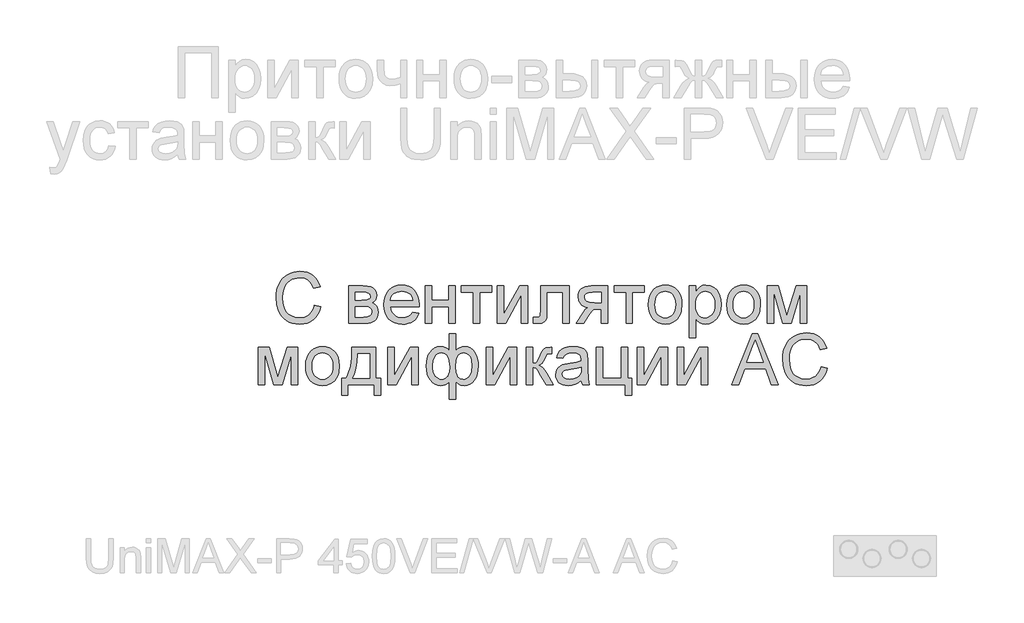
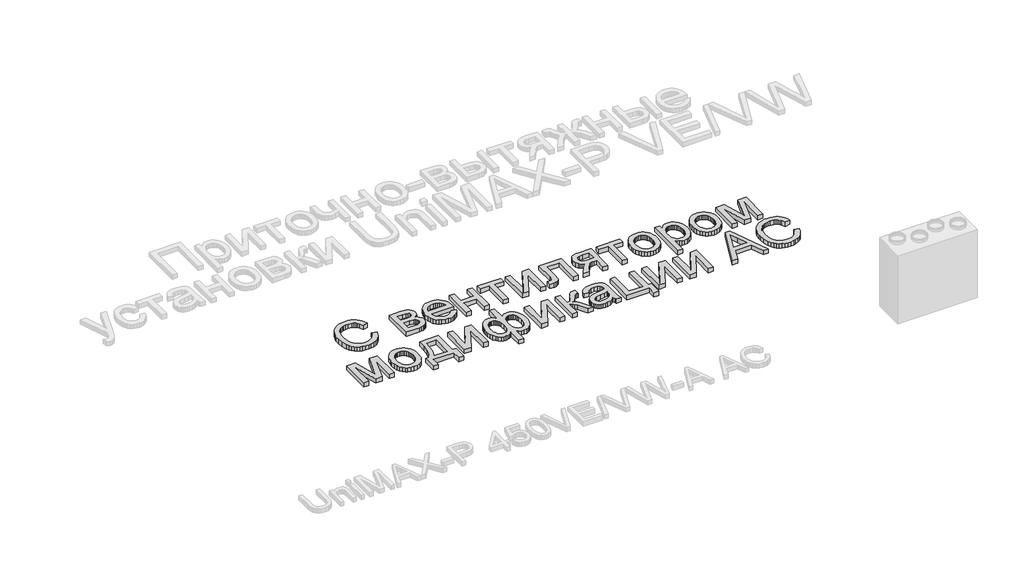
# One storey, part 19 of 74: 1 proxy.
"""IFC4 building model written with IfcOpenShell, lengths in millimetres."""

from ifc_helpers import new_model, si_unit, origin, origin_with_axes, place, context, project, spatial, polyline, outline, extrude, element, save

model = new_model("IFC4")

# Units and contexts
model_context = context("Model", 3, world=origin())
ifc_project = project(units=[si_unit("LENGTHUNIT", "METRE", prefix="MILLI")], contexts=[model_context])

# Site, building, storey
site = spatial("IfcSite", under=ifc_project)
building = spatial("IfcBuilding", under=site)
storey = spatial("IfcBuildingStorey", under=building, Elevation=0.0)

# Proxy
placement = place(None, origin())
element("IfcBuildingElementProxy", 1, Name="Generic Models", at=placement, inside=storey, context=model_context, shape_type="SweptSolid", body=[
    extrude(outline(polyline([(13462.4111042, -25678.9298031), (13518.6181221, -25693.4206749), (13507.4961035, -25728.3751002), (13492.6827549, -25758.9177687), (13474.1780763, -25785.0486803), (13451.9820677, -25806.7678349), (13426.5955972, -25823.8419516), (13398.5195331, -25836.0377492), (13367.7538754, -25843.3552278), (13334.2986241, -25845.7943874), (13300.0234583, -25843.9487223), (13269.1034234, -25838.4117273), (13241.5385193, -25829.1834022), (13217.3287461, -25816.2637471), (13196.1413351, -25799.8448758), (13177.6435177, -25780.1189021), (13161.8352939, -25757.0858261), (13148.7166637, -25730.7456477), (13131.0559138, -25672.699826), (13125.1689971, -25610.5372794), (13126.8328401, -25576.6360495), (13131.8243691, -25544.9715735), (13140.1435841, -25515.5438514), (13151.790485, -25488.3528832), (13166.5043461, -25463.848078), (13184.0244413, -25442.4788449), (13204.3507707, -25424.2451841), (13227.4833343, -25409.1470953), (13252.6365237, -25397.3080805), (13279.0247305, -25388.8516414), (13306.6479549, -25383.7777779), (13335.5061967, -25382.0864901), (13367.6543879, -25384.2752155), (13397.1335691, -25390.8413918), (13423.9437402, -25401.7850189), (13448.0849014, -25417.1060969), (13469.1591025, -25436.3998145), (13486.7683934, -25459.2613603), (13500.9127742, -25485.6907344), (13511.5922448, -25515.6879368), (13455.385227, -25529.0810153), (13435.8993956, -25488.0921573), (13423.4806087, -25472.4245883), (13409.2779076, -25459.9749259), (13393.208958, -25450.4893056), (13375.1914251, -25443.7138624), (13333.3106101, -25438.2935079), (13308.0956698, -25439.7961125), (13285.0351489, -25444.3039263), (13264.1290474, -25451.8169494), (13245.3773653, -25462.3351816), (13229.0168143, -25475.3851996), (13215.284106, -25490.4935802), (13204.1792405, -25507.6603232), (13195.7022177, -25526.8854286), (13184.9575656, -25568.0252332), (13181.3760149, -25610.4275001), (13185.6162416, -25662.353124), (13198.3369217, -25707.2528707), (13207.9975029, -25726.6392146), (13220.0183397, -25743.4114381), (13234.3994322, -25757.5695413), (13251.1407803, -25769.1135241), (13288.4520306, -25784.4689082), (13328.6998781, -25789.5873695), (13353.1360713, -25787.8446226), (13375.61682, -25782.6163819), (13396.1421245, -25773.9026475), (13414.7119846, -25761.7034192), (13430.887283, -25746.0735869), (13444.2289024, -25727.0680401), (13454.7368428, -25704.6867788), (13462.4111042, -25678.9298031)])), origin_with_axes(), (0.0, 0.0, 1.0), 50.0),
    extrude(outline(polyline([(13764.5238252, -25508.5522802), (13888.3549114, -25508.5522802), (13928.1636415, -25510.4322513), (13956.253428, -25516.0721645), (13976.9193872, -25526.7207596), (13994.4566355, -25543.6267767), (14006.4363051, -25565.6512552), (14010.4295283, -25591.6552344), (14008.014383, -25612.6093643), (14000.7689471, -25630.6817868), (13988.6657757, -25645.9548363), (13971.6774242, -25658.5108474), (13992.4806075, -25670.1886238), (14009.4415143, -25688.974612), (14020.7213406, -25713.3867909), (14024.4812827, -25741.9431395), (14021.359433, -25764.9487707), (14014.9579257, -25784.7845237), (14005.2767609, -25801.4503985), (13992.3159385, -25814.9463951), (13976.054875, -25825.3685704), (13956.4729867, -25832.8129814), (13933.5702736, -25837.2796279), (13907.3467358, -25838.7685101), (13764.5238252, -25838.7685101), (13764.5238252, -25508.5522802)]), holes=[polyline([(13820.730843, -25635.0180704), (13876.2791849, -25635.0180704), (13922.1120559, -25632.1638078), (13944.3972602, -25620.7467573), (13951.7661979, -25611.3057348), (13954.2225104, -25600.1082429), (13949.9136716, -25583.33945), (13936.9871553, -25572.5536306), (13913.6316025, -25566.7078812), (13878.0356542, -25564.7592981), (13820.730843, -25564.7592981), (13820.730843, -25635.0180704)]), polyline([(13820.730843, -25782.5614923), (13889.6722633, -25782.5614923), (13927.2442396, -25780.0228452), (13950.8193511, -25772.4069041), (13963.4714191, -25758.5609859), (13968.2742649, -25737.3324076), (13965.872842, -25723.2669307), (13958.6685733, -25710.2718023), (13947.6083057, -25700.1034917), (13933.6388857, -25694.5184682), (13884.1832968, -25691.2250883), (13820.730843, -25691.2250883), (13820.730843, -25782.5614923)])]), origin_with_axes(), (0.0, 0.0, 1.0), 50.0),
    extrude(outline(polyline([(14325.9353277, -25740.4062289), (14381.0445522, -25747.4321061), (14372.5949743, -25769.504613), (14361.1882156, -25788.9561383), (14346.8242762, -25805.7866821), (14329.503156, -25819.9962444), (14309.4032464, -25831.2829319), (14286.702939, -25839.3448516), (14261.4022336, -25844.1820034), (14233.5011304, -25845.7943874), (14198.6256089, -25843.0121674), (14167.5511968, -25834.6655076), (14140.2778941, -25820.7544079), (14116.8057007, -25801.2788683), (14097.9305169, -25776.7809243), (14084.4482427, -25747.8026114), (14076.3588782, -25714.3439294), (14073.6624233, -25676.4048785), (14076.386323, -25637.179351), (14084.558022, -25602.6057227), (14098.1775204, -25572.6839936), (14117.244818, -25547.4141637), (14140.6552605, -25527.3382684), (14167.3041933, -25512.9983432), (14197.1916164, -25504.394388), (14230.3175297, -25501.526403), (14262.3765252, -25504.3875268), (14291.3685606, -25512.9708983), (14317.2936359, -25527.2765175), (14340.1517511, -25547.3043843), (14358.8108069, -25572.5193246), (14372.1387039, -25602.386164), (14380.1354421, -25636.9049027), (14382.8010215, -25676.0755405), (14382.4716835, -25691.2250883), (14129.8694412, -25691.2250883), (14133.1250845, -25713.654378), (14139.5986345, -25733.2980171), (14149.2900911, -25750.1560058), (14162.1994544, -25764.2283439), (14177.6131587, -25775.3229176), (14194.8176383, -25783.2476131), (14213.8128933, -25788.0024304), (14234.5989237, -25789.5873695), (14264.5137916, -25786.6507724), (14289.7081482, -25777.840981), (14310.1819936, -25762.6090987), (14325.9353277, -25740.4062289)]), holes=[polyline([(14129.8694412, -25635.0180704), (14326.5940037, -25635.0180704), (14318.991785, -25605.3227612), (14304.0892407, -25584.0804605), (14288.7613015, -25572.5536306), (14271.3201101, -25564.3201808), (14251.7656667, -25559.3801108), (14230.0979711, -25557.7334209), (14192.2103792, -25562.9891064), (14160.8821024, -25578.7561629), (14148.4255789, -25590.1560604), (14139.1046275, -25603.3330108), (14132.9192483, -25618.2870141), (14129.8694412, -25635.0180704)])]), origin_with_axes(), (0.0, 0.0, 1.0), 50.0),
    extrude(outline(polyline([(14439.0080394, -25508.5522802), (14495.2150572, -25508.5522802), (14495.2150572, -25635.0180704), (14642.7584791, -25635.0180704), (14642.7584791, -25508.5522802), (14698.9654969, -25508.5522802), (14698.9654969, -25838.7685101), (14642.7584791, -25838.7685101), (14642.7584791, -25691.2250883), (14495.2150572, -25691.2250883), (14495.2150572, -25838.7685101), (14439.0080394, -25838.7685101), (14439.0080394, -25508.5522802)])), origin_with_axes(), (0.0, 0.0, 1.0), 50.0),
    extrude(outline(polyline([(14755.1725148, -25508.5522802), (15022.1558496, -25508.5522802), (15022.1558496, -25564.7592981), (14916.7676911, -25564.7592981), (14916.7676911, -25838.7685101), (14860.5606733, -25838.7685101), (14860.5606733, -25564.7592981), (14755.1725148, -25564.7592981), (14755.1725148, -25508.5522802)])), origin_with_axes(), (0.0, 0.0, 1.0), 50.0),
    extrude(outline(polyline([(15071.3369902, -25508.5522802), (15127.5440081, -25508.5522802), (15127.5440081, -25760.3860673), (15265.6464074, -25508.5522802), (15338.320325, -25508.5522802), (15338.320325, -25838.7685101), (15282.1133072, -25838.7685101), (15282.1133072, -25588.4716337), (15144.8891425, -25838.7685101), (15071.3369902, -25838.7685101), (15071.3369902, -25508.5522802)])), origin_with_axes(), (0.0, 0.0, 1.0), 50.0),
    extrude(outline(polyline([(15450.7343607, -25508.5522802), (15703.6659411, -25508.5522802), (15703.6659411, -25838.4391721), (15647.4589232, -25838.4391721), (15647.4589232, -25564.7592981), (15506.9413786, -25564.7592981), (15506.9413786, -25722.2926391), (15503.1539916, -25794.9665568), (15496.0595023, -25811.4197341), (15482.3508083, -25825.64988), (15461.5476249, -25835.4888526), (15433.1696676, -25838.7685101), (15387.5014656, -25835.9142475), (15387.5014656, -25782.5614923), (15412.6409326, -25782.5614923), (15438.0548479, -25779.1034433), (15444.4083267, -25774.6299356), (15448.2094361, -25768.1255101), (15450.7343607, -25719.1090385), (15450.7343607, -25508.5522802)])), origin_with_axes(), (0.0, 0.0, 1.0), 50.0),
    extrude(outline(polyline([(16040.9080482, -25508.5522802), (16040.9080482, -25838.7685101), (15984.7010303, -25838.7685101), (15984.7010303, -25712.30272), (15954.0725968, -25712.30272), (15929.6466954, -25714.0866341), (15912.3564507, -25719.4383765), (15895.6974371, -25734.9995968), (15873.1652293, -25767.4119445), (15828.3752619, -25838.7685101), (15763.3858975, -25838.7685101), (15819.812474, -25748.5298994), (15844.7323823, -25716.1449966), (15856.451326, -25706.703974), (15867.6762627, -25701.7639041), (15847.0377483, -25697.2012006), (15829.2534966, -25689.9900708), (15814.3235075, -25680.1305145), (15802.247781, -25667.6225319), (15786.2748882, -25637.872333), (15780.9505906, -25603.9505195), (15782.7688108, -25583.7099552), (15788.2234713, -25565.4728637), (15797.3145722, -25549.2392451), (15810.0421135, -25535.0090992), (15826.2139813, -25523.4342409), (15845.6380618, -25515.166485), (15868.314355, -25510.2058314), (15894.242861, -25508.5522802), (16040.9080482, -25508.5522802)]), holes=[polyline([(15984.7010303, -25564.7592981), (15910.5999814, -25564.7592981), (15872.3281619, -25568.0115108), (15859.3982149, -25572.0767767), (15850.6055766, -25577.7681489), (15840.5196005, -25591.8885154), (15837.1576085, -25608.2319135), (15842.1114008, -25629.6526056), (15856.9727778, -25644.5139826), (15884.4313332, -25653.2002722), (15927.1766605, -25656.0957021), (15984.7010303, -25656.0957021), (15984.7010303, -25564.7592981)])]), origin_with_axes(), (0.0, 0.0, 1.0), 50.0),
    extrude(outline(polyline([(16097.115066, -25508.5522802), (16364.0984008, -25508.5522802), (16364.0984008, -25564.7592981), (16258.7102423, -25564.7592981), (16258.7102423, -25838.7685101), (16202.5032245, -25838.7685101), (16202.5032245, -25564.7592981), (16097.115066, -25564.7592981), (16097.115066, -25508.5522802)])), origin_with_axes(), (0.0, 0.0, 1.0), 50.0),
    extrude(outline(polyline([(16399.227787, -25673.6603952), (16402.2673022, -25630.8944843), (16411.385848, -25594.0429348), (16426.5834242, -25563.1057469), (16447.8600309, -25538.0829205), (16469.280723, -25522.0894441), (16492.9244466, -25510.6655324), (16518.7912017, -25503.8111853), (16546.8809882, -25501.526403), (16577.8902188, -25504.3086229), (16605.9285462, -25512.6552828), (16630.9959705, -25526.5663825), (16653.0924916, -25546.041922), (16671.1271775, -25570.4232255), (16684.0090959, -25599.0516168), (16691.738247, -25631.9270961), (16694.3146307, -25669.0496632), (16689.7587884, -25725.8330226), (16684.0639856, -25749.140547), (16676.0912616, -25769.0586345), (16653.7100004, -25801.4298149), (16623.0129547, -25825.64988), (16586.5524942, -25840.7582605), (16546.8809882, -25845.7943874), (16515.4189178, -25843.0224592), (16487.1198645, -25834.7066748), (16461.9838281, -25820.8470342), (16440.0108087, -25801.4435373), (16422.1682367, -25776.8255222), (16409.4235424, -25747.3223268), (16401.7767258, -25712.9339511), (16399.227787, -25673.6603952)]), holes=[polyline([(16455.4348048, -25673.5506158), (16457.0609112, -25700.8136268), (16461.9392302, -25724.4196137), (16470.069762, -25744.3685766), (16481.4525065, -25760.6605156), (16495.2984247, -25773.3160142), (16510.8184777, -25782.355656), (16528.0126655, -25787.7794411), (16546.8809882, -25789.5873695), (16565.6532539, -25787.7691493), (16582.7788296, -25782.3144888), (16598.2577154, -25773.2233879), (16612.0899112, -25760.4958466), (16623.4726557, -25744.0426692), (16631.6031874, -25723.7746601), (16636.4815065, -25699.6918192), (16638.1076128, -25671.7941465), (16636.4712147, -25645.3956479), (16631.5620202, -25622.4071697), (16623.3800294, -25602.828712), (16611.9252422, -25586.6602748), (16598.0415874, -25574.0047762), (16582.5729934, -25564.9651343), (16565.5194603, -25559.5413492), (16546.8809882, -25557.7334209), (16528.0126655, -25559.534488), (16510.8184777, -25564.9376895), (16495.2984247, -25573.9430253), (16481.4525065, -25586.5504954), (16470.069762, -25602.7944059), (16461.9392302, -25622.7090628), (16457.0609112, -25646.2944661), (16455.4348048, -25673.5506158)])]), origin_with_axes(), (0.0, 0.0, 1.0), 50.0),
    extrude(outline(polyline([(16757.5475258, -25965.2343003), (16757.5475258, -25508.5522802), (16813.7545436, -25508.5522802), (16813.7545436, -25563.6615048), (16832.087692, -25536.4773978), (16852.6164271, -25517.0601784), (16876.5483214, -25505.4098469), (16905.0909476, -25501.526403), (16943.1020413, -25506.9604799), (16976.3377339, -25523.2627107), (17003.3983392, -25549.4450813), (17022.8841706, -25584.5195778), (17034.6580039, -25625.9338307), (17038.582615, -25671.1354705), (17034.1502745, -25719.2050954), (17020.853253, -25762.1974262), (16999.1169453, -25797.9305987), (16969.3667464, -25824.2227487), (16934.7176448, -25840.4014777), (16898.2846291, -25845.7943874), (16872.4453189, -25842.1853918), (16849.3779368, -25831.3584052), (16829.6313795, -25815.0150072), (16813.7545436, -25794.8567774), (16813.7545436, -25965.2343003), (16757.5475258, -25965.2343003)]), holes=[polyline([(16813.7545436, -25676.2950991), (16815.2743013, -25703.3831492), (16819.8335741, -25726.6838124), (16827.4323622, -25746.1970886), (16838.0706656, -25761.9229779), (16850.8771108, -25774.0261492), (16864.9803243, -25782.6712716), (16880.3803062, -25787.858345), (16897.0770564, -25789.5873695), (16914.013949, -25787.7965942), (16929.6952404, -25782.4242681), (16944.1209307, -25773.4703914), (16957.2910199, -25760.9349639), (16968.2655225, -25744.6395944), (16976.1044529, -25724.4058913), (16980.8078111, -25700.2338547), (16982.3755972, -25672.1234845), (16980.8455478, -25645.2687155), (16976.2553994, -25622.0092196), (16968.6051523, -25602.3449968), (16957.8948062, -25586.2760471), (16945.0574856, -25573.7886481), (16931.0263148, -25564.8690774), (16915.8012937, -25559.517335), (16899.3824224, -25557.7334209), (16883.0150102, -25559.6305449), (16867.6150283, -25565.3219172), (16853.1824768, -25574.8075375), (16839.7173556, -25588.0874061), (16828.3586254, -25604.9831314), (16820.2452466, -25625.316322), (16815.3772194, -25649.0869779), (16813.7545436, -25676.2950991)])]), origin_with_axes(), (0.0, 0.0, 1.0), 50.0),
    extrude(outline(polyline([(17087.7637557, -25673.6603952), (17090.8032709, -25630.8944843), (17099.9218167, -25594.0429348), (17115.1193929, -25563.1057469), (17136.3959996, -25538.0829205), (17157.8166917, -25522.0894441), (17181.4604153, -25510.6655324), (17207.3271703, -25503.8111853), (17235.4169569, -25501.526403), (17266.4261875, -25504.3086229), (17294.4645149, -25512.6552828), (17319.5319392, -25526.5663825), (17341.6284603, -25546.041922), (17359.6631462, -25570.4232255), (17372.5450646, -25599.0516168), (17380.2742157, -25631.9270961), (17382.8505994, -25669.0496632), (17378.2947571, -25725.8330226), (17372.5999543, -25749.140547), (17364.6272303, -25769.0586345), (17342.2459691, -25801.4298149), (17311.5489234, -25825.64988), (17275.0884629, -25840.7582605), (17235.4169569, -25845.7943874), (17203.9548865, -25843.0224592), (17175.6558331, -25834.7066748), (17150.5197968, -25820.8470342), (17128.5467774, -25801.4435373), (17110.7042054, -25776.8255222), (17097.9595111, -25747.3223268), (17090.3126945, -25712.9339511), (17087.7637557, -25673.6603952)]), holes=[polyline([(17143.9707735, -25673.5506158), (17145.5968799, -25700.8136268), (17150.4751989, -25724.4196137), (17158.6057307, -25744.3685766), (17169.9884751, -25760.6605156), (17183.8343934, -25773.3160142), (17199.3544464, -25782.355656), (17216.5486342, -25787.7794411), (17235.4169569, -25789.5873695), (17254.1892226, -25787.7691493), (17271.3147983, -25782.3144888), (17286.7936841, -25773.2233879), (17300.6258799, -25760.4958466), (17312.0086244, -25744.0426692), (17320.1391561, -25723.7746601), (17325.0174752, -25699.6918192), (17326.6435815, -25671.7941465), (17325.0071834, -25645.3956479), (17320.0979889, -25622.4071697), (17311.9159981, -25602.828712), (17300.4612109, -25586.6602748), (17286.5775561, -25574.0047762), (17271.1089621, -25564.9651343), (17254.055429, -25559.5413492), (17235.4169569, -25557.7334209), (17216.5486342, -25559.534488), (17199.3544464, -25564.9376895), (17183.8343934, -25573.9430253), (17169.9884751, -25586.5504954), (17158.6057307, -25602.7944059), (17150.4751989, -25622.7090628), (17145.5968799, -25646.2944661), (17143.9707735, -25673.5506158)])]), origin_with_axes(), (0.0, 0.0, 1.0), 50.0),
    extrude(outline(polyline([(17446.0834945, -25508.5522802), (17542.7990857, -25508.5522802), (17617.339252, -25772.9009111), (17697.6977228, -25508.5522802), (17790.3514788, -25508.5522802), (17790.3514788, -25838.7685101), (17734.144461, -25838.7685101), (17734.144461, -25572.8829686), (17653.3468728, -25838.7685101), (17579.5751619, -25838.7685101), (17502.2905123, -25560.1485662), (17502.2905123, -25838.7685101), (17446.0834945, -25838.7685101), (17446.0834945, -25508.5522802)])), origin_with_axes(), (0.0, 0.0, 1.0), 50.0),
    extrude(outline(polyline([(12970.599698, -26048.9843634), (13067.3152893, -26048.9843634), (13141.8554555, -26313.3329943), (13222.2139263, -26048.9843634), (13314.8676823, -26048.9843634), (13314.8676823, -26379.2005933), (13258.6606645, -26379.2005933), (13258.6606645, -26113.3150518), (13177.8630763, -26379.2005933), (13104.0913654, -26379.2005933), (13026.8067158, -26100.5806493), (13026.8067158, -26379.2005933), (12970.599698, -26379.2005933), (12970.599698, -26048.9843634)])), origin_with_axes(), (0.0, 0.0, 1.0), 50.0),
    extrude(outline(polyline([(13385.1264547, -26214.0924784), (13388.1659699, -26171.3265674), (13397.2845156, -26134.475018), (13412.4820919, -26103.5378301), (13433.7586986, -26078.5150037), (13455.1793907, -26062.5215273), (13478.8231143, -26051.0976156), (13504.6898693, -26044.2432685), (13532.7796558, -26041.9584862), (13563.7888865, -26044.7407061), (13591.8272139, -26053.0873659), (13616.8946382, -26066.9984656), (13638.9911593, -26086.4740052), (13657.0258451, -26110.8553087), (13669.9077636, -26139.4837), (13677.6369147, -26172.3591793), (13680.2132984, -26209.4817464), (13675.6574561, -26266.2651058), (13669.9626533, -26289.5726301), (13661.9899293, -26309.4907176), (13639.608668, -26341.8618981), (13608.9116224, -26366.0819632), (13572.4511619, -26381.1903437), (13532.7796558, -26386.2264705), (13501.3175855, -26383.4545424), (13473.0185321, -26375.138758), (13447.8824958, -26361.2791174), (13425.9094764, -26341.8756205), (13408.0669044, -26317.2576054), (13395.3222101, -26287.75441), (13387.6753935, -26253.3660343), (13385.1264547, -26214.0924784)]), holes=[polyline([(13441.3334725, -26213.982699), (13442.9595789, -26241.2457099), (13447.8378979, -26264.8516969), (13455.9684297, -26284.8006598), (13467.3511741, -26301.0925988), (13481.1970923, -26313.7480974), (13496.7171454, -26322.7877392), (13513.9113332, -26328.2115243), (13532.7796558, -26330.0194527), (13551.5519216, -26328.2012325), (13568.6774973, -26322.746572), (13584.1563831, -26313.655471), (13597.9885789, -26300.9279298), (13609.3713234, -26284.4747524), (13617.5018551, -26264.2067433), (13622.3801742, -26240.1239024), (13624.0062805, -26212.2262297), (13622.3698824, -26185.827731), (13617.4606879, -26162.8392529), (13609.2786971, -26143.2607952), (13597.8239099, -26127.092358), (13583.940255, -26114.4368594), (13568.4716611, -26105.3972175), (13551.418128, -26099.9734324), (13532.7796558, -26098.165504), (13513.9113332, -26099.9665712), (13496.7171454, -26105.3697727), (13481.1970923, -26114.3751085), (13467.3511741, -26126.9825786), (13455.9684297, -26143.2264891), (13447.8378979, -26163.141146), (13442.9595789, -26186.7265493), (13441.3334725, -26213.982699)])]), origin_with_axes(), (0.0, 0.0, 1.0), 50.0),
    extrude(outline(polyline([(13792.6273341, -26048.9843634), (14003.403651, -26048.9843634), (14003.403651, -26322.9935754), (14045.5589144, -26322.9935754), (14045.5589144, -26470.5369973), (13989.3518966, -26470.5369973), (13989.3518966, -26379.2005933), (13757.4979479, -26379.2005933), (13757.4979479, -26470.5369973), (13701.2909301, -26470.5369973), (13701.2909301, -26322.9935754), (13736.4203162, -26322.9935754), (13750.1461633, -26301.7821502), (13761.9577333, -26276.8450889), (13779.8380419, -26215.794058), (13790.0612422, -26139.8404829), (13792.6273341, -26048.9843634)]), holes=[polyline([(13841.8084747, -26105.1913813), (13837.1977428, -26174.0092999), (13828.6349549, -26233.2489717), (13816.1201111, -26282.9103969), (13799.6532113, -26322.9935754), (13947.1966332, -26322.9935754), (13947.1966332, -26105.1913813), (13841.8084747, -26105.1913813)])]), origin_with_axes(), (0.0, 0.0, 1.0), 50.0),
    extrude(outline(polyline([(14108.7918095, -26048.9843634), (14164.9988274, -26048.9843634), (14164.9988274, -26300.8181504), (14303.1012267, -26048.9843634), (14375.7751443, -26048.9843634), (14375.7751443, -26379.2005933), (14319.5681264, -26379.2005933), (14319.5681264, -26128.9037169), (14182.3439618, -26379.2005933), (14108.7918095, -26379.2005933), (14108.7918095, -26048.9843634)])), origin_with_axes(), (0.0, 0.0, 1.0), 50.0),
    extrude(outline(polyline([(14649.7843563, -25929.5444505), (14705.9913742, -25929.5444505), (14705.9913742, -26080.7105903), (14723.0483378, -26063.6536266), (14741.7245467, -26051.5641777), (14761.9376661, -26044.3599091), (14783.6053617, -26041.9584862), (14809.6264939, -26045.0117238), (14832.8002248, -26054.1714368), (14853.1265542, -26069.4376252), (14870.6054821, -26090.8102888), (14884.653806, -26116.814268), (14894.688323, -26145.974403), (14900.7090333, -26178.2906938), (14902.7159367, -26213.7631404), (14900.5546561, -26250.5495083), (14894.0708143, -26283.6239626), (14883.2644113, -26312.9865032), (14868.1354472, -26338.6371302), (14849.7954376, -26359.4574666), (14829.3558982, -26374.3291355), (14806.8168292, -26383.2521368), (14782.1782304, -26386.2264705), (14747.8172996, -26380.7375039), (14728.6333614, -26370.5005813), (14705.9913742, -26350.7677464), (14705.9913742, -26505.6663835), (14649.7843563, -26505.6663835), (14649.7843563, -26350.7677464), (14632.6862254, -26366.2466322), (14613.8865148, -26377.3343447), (14593.4401143, -26384.0034391), (14571.4019135, -26386.2264705), (14547.0583466, -26383.3859303), (14524.3065801, -26374.8643097), (14503.146614, -26360.6616087), (14483.5784481, -26340.7778272), (14467.1527156, -26315.6040542), (14455.4200495, -26285.5313785), (14448.3804498, -26250.5598001), (14446.0339166, -26210.6893191), (14448.1574606, -26176.2940822), (14454.5280924, -26144.7942752), (14465.1458121, -26116.1898981), (14480.0106198, -26090.4809508), (14498.4638393, -26069.2523725), (14519.8467948, -26054.0891023), (14544.1594862, -26044.9911402), (14571.4019135, -26041.9584862), (14594.3046265, -26044.3599091), (14614.9294185, -26051.5641777), (14633.3860686, -26063.6536266), (14649.7843563, -26080.7105903), (14649.7843563, -25929.5444505)]), holes=[polyline([(14705.6620362, -26215.0804923), (14710.3413802, -26271.9873534), (14716.1905602, -26292.0735405), (14724.3794122, -26306.5815654), (14745.4707664, -26324.1599808), (14771.3100766, -26330.0194527), (14786.3258308, -26328.2183855), (14800.1957632, -26322.815184), (14812.9198739, -26313.8098482), (14824.4981628, -26301.2023781), (14834.1278686, -26284.8006598), (14841.0062298, -26264.4125795), (14846.5089188, -26211.6773331), (14841.4316247, -26161.6728475), (14835.0850071, -26142.1458488), (14826.1997424, -26126.269013), (14815.3247274, -26113.9737278), (14803.0088586, -26105.1913813), (14789.2521361, -26099.9219733), (14774.0545599, -26098.165504), (14758.0919589, -26099.994016), (14744.2357489, -26105.479552), (14732.4859298, -26114.622112), (14722.8425016, -26127.4216959), (14715.326048, -26143.8714427), (14709.9571525, -26163.964491), (14705.6620362, -26215.0804923)]), polyline([(14502.2409345, -26209.4817464), (14503.6474822, -26239.2936962), (14507.8671252, -26264.6184158), (14514.8998637, -26285.4559052), (14524.7456975, -26301.8061644), (14536.6773386, -26314.149478), (14549.9674989, -26322.9661306), (14564.6161785, -26328.2561222), (14580.6233773, -26330.0194527), (14596.9770672, -26328.266414), (14611.1283091, -26323.0072979), (14623.0771033, -26314.2421043), (14632.8234496, -26301.9708334), (14640.3879317, -26286.1934851), (14645.7911331, -26266.9100593), (14650.1136943, -26217.8249756), (14645.5715745, -26165.4739568), (14639.8939247, -26144.9074851), (14631.9452149, -26128.0803719), (14621.7048616, -26114.9926172), (14609.1522812, -26105.644221), (14594.2874735, -26100.0351833), (14577.1104387, -26098.165504), (14561.3022149, -26099.9905854), (14547.0309018, -26105.4658296), (14534.2964993, -26114.5912365), (14523.0990075, -26127.3668063), (14513.9736005, -26143.4494784), (14507.4554527, -26162.4961924), (14502.2409345, -26209.4817464)])]), origin_with_axes(), (0.0, 0.0, 1.0), 50.0),
    extrude(outline(polyline([(14972.974709, -26048.9843634), (15029.1817268, -26048.9843634), (15029.1817268, -26300.8181504), (15167.2841262, -26048.9843634), (15239.9580438, -26048.9843634), (15239.9580438, -26379.2005933), (15183.7510259, -26379.2005933), (15183.7510259, -26128.9037169), (15046.5268612, -26379.2005933), (14972.974709, -26379.2005933), (14972.974709, -26048.9843634)])), origin_with_axes(), (0.0, 0.0, 1.0), 50.0),
    extrude(outline(polyline([(15324.2685706, -26048.9843634), (15380.4755884, -26048.9843634), (15380.4755884, -26189.501908), (15403.3371342, -26186.9769834), (15418.1298992, -26179.4022095), (15431.2210845, -26159.6419298), (15448.9778914, -26120.5604877), (15463.2903718, -26088.6009798), (15474.6113654, -26069.7875468), (15485.1776261, -26059.5369017), (15497.2259077, -26053.2657574), (15538.3382675, -26048.9843634), (15549.096642, -26048.9843634), (15549.096642, -26105.5207193), (15533.9470942, -26105.1913813), (15516.3824011, -26106.6734022), (15506.5022612, -26111.1194652), (15487.1810989, -26148.1151), (15475.3112086, -26172.7742824), (15464.5116669, -26188.1296664), (15451.434204, -26198.3803115), (15432.7305503, -26207.7252771), (15450.5422469, -26215.6362502), (15468.1892745, -26229.598809), (15485.671633, -26249.6129534), (15502.9893226, -26275.6786835), (15563.1483964, -26379.2005933), (15499.2568254, -26379.2005933), (15440.3053242, -26277.8742701), (15424.3873211, -26250.9097217), (15410.6649046, -26235.0054411), (15396.805264, -26227.2248309), (15380.4755884, -26224.6312942), (15380.4755884, -26379.2005933), (15324.2685706, -26379.2005933), (15324.2685706, -26048.9843634)])), origin_with_axes(), (0.0, 0.0, 1.0), 50.0),
    extrude(outline(polyline([(15809.0540995, -26337.0453299), (15782.1993305, -26360.0715447), (15754.5486613, -26375.138758), (15725.4708608, -26383.4545424), (15694.3346979, -26386.2264705), (15669.3084408, -26384.5591969), (15647.3628663, -26379.5573761), (15628.4979742, -26371.2210081), (15612.7137647, -26359.5500929), (15600.2503799, -26345.285641), (15591.3479623, -26329.1686629), (15586.0065117, -26311.1991585), (15584.2260281, -26291.3771279), (15586.9156217, -26268.0764647), (15594.9844026, -26246.9164985), (15607.4306344, -26228.8029088), (15623.2525806, -26214.641375), (15641.8464549, -26203.9378902), (15662.608471, -26196.1984473), (15711.2407149, -26187.7454387), (15768.7101951, -26178.8533129), (15808.7247615, -26168.4242764), (15809.0540995, -26155.9094325), (15805.1843781, -26130.8248552), (15793.5752138, -26114.4128451), (15767.6124018, -26102.2273393), (15731.440112, -26098.165504), (15697.9574158, -26100.8688201), (15674.5744181, -26108.9787682), (15658.6289702, -26123.9773694), (15647.4589232, -26147.3466447), (15591.2519054, -26140.3207674), (15601.0085435, -26109.5825545), (15615.5680273, -26085.4311016), (15636.2888762, -26066.960729), (15664.5296093, -26053.2657574), (15699.0689315, -26044.785304), (15738.6855479, -26041.9584862), (15776.6829191, -26044.455966), (15806.8036232, -26051.9484054), (15829.5142225, -26063.2145093), (15845.281279, -26077.0329827), (15855.7377604, -26094.1173912), (15862.5166341, -26115.1813005), (15865.2611174, -26164.3624411), (15865.2611174, -26234.2918754), (15868.11538, -26331.940591), (15879.3128718, -26379.2005933), (15823.105854, -26379.2005933), (15814.1039488, -26359.6598722), (15809.0540995, -26337.0453299)]), holes=[polyline([(15809.0540995, -26224.6312942), (15771.2900094, -26233.9899822), (15718.3763715, -26241.8666493), (15670.0185759, -26250.9783338), (15657.43512, -26257.2083109), (15648.1175992, -26265.7985436), (15642.3541843, -26276.090356), (15640.433046, -26287.425072), (15644.618383, -26304.1389752), (15657.1743941, -26317.8339469), (15677.8266308, -26326.9730762), (15706.300645, -26330.0194527), (15736.4899612, -26326.6574606), (15763.1663389, -26316.5714845), (15784.7928672, -26301.7101075), (15799.8326357, -26284.0219127), (15806.5017301, -26265.7985436), (15808.7247615, -26240.5492973), (15809.0540995, -26224.6312942)])]), origin_with_axes(), (0.0, 0.0, 1.0), 50.0),
    extrude(outline(polyline([(15942.5457669, -26048.9843634), (15998.7527848, -26048.9843634), (15998.7527848, -26322.9935754), (16160.3479611, -26322.9935754), (16160.3479611, -26048.9843634), (16216.554979, -26048.9843634), (16216.554979, -26322.9935754), (16251.6843651, -26322.9935754), (16251.6843651, -26470.5369973), (16195.4773473, -26470.5369973), (16195.4773473, -26379.2005933), (15942.5457669, -26379.2005933), (15942.5457669, -26048.9843634)])), origin_with_axes(), (0.0, 0.0, 1.0), 50.0),
    extrude(outline(polyline([(16300.8655057, -26048.9843634), (16357.0725236, -26048.9843634), (16357.0725236, -26300.8181504), (16495.1749229, -26048.9843634), (16567.8488405, -26048.9843634), (16567.8488405, -26379.2005933), (16511.6418227, -26379.2005933), (16511.6418227, -26128.9037169), (16374.417658, -26379.2005933), (16300.8655057, -26379.2005933), (16300.8655057, -26048.9843634)])), origin_with_axes(), (0.0, 0.0, 1.0), 50.0),
    extrude(outline(polyline([(16652.1593673, -26048.9843634), (16708.3663852, -26048.9843634), (16708.3663852, -26300.8181504), (16846.4687845, -26048.9843634), (16919.1427021, -26048.9843634), (16919.1427021, -26379.2005933), (16862.9356843, -26379.2005933), (16862.9356843, -26128.9037169), (16725.7115196, -26379.2005933), (16652.1593673, -26379.2005933), (16652.1593673, -26048.9843634)])), origin_with_axes(), (0.0, 0.0, 1.0), 50.0),
    extrude(outline(polyline([(17133.7612957, -26379.2005933), (17313.2505031, -25929.5444505), (17361.1142917, -25929.5444505), (17540.6034991, -26379.2005933), (17481.2128806, -26379.2005933), (17429.726374, -26238.6830487), (17244.5286414, -26238.6830487), (17193.1519141, -26379.2005933), (17133.7612957, -26379.2005933)]), holes=[polyline([(17265.1671558, -26182.4760308), (17409.197639, -26182.4760308), (17368.6890656, -26071.9282438), (17337.1823974, -25985.7514683), (17309.1886678, -26062.2676626), (17265.1671558, -26182.4760308)])]), origin_with_axes(), (0.0, 0.0, 1.0), 50.0),
    extrude(outline(polyline([(17916.817269, -26219.3618863), (17973.0242868, -26233.8527581), (17961.9022683, -26268.8071834), (17947.0889197, -26299.3498519), (17928.5842411, -26325.4807634), (17906.3882325, -26347.1999181), (17881.001762, -26364.2740348), (17852.9256979, -26376.4698324), (17822.1600402, -26383.787311), (17788.7047888, -26386.2264705), (17754.4296231, -26384.3808055), (17723.5095882, -26378.8438105), (17695.9446841, -26369.6154854), (17671.7349109, -26356.6958303), (17650.5474998, -26340.276959), (17632.0496824, -26320.5509853), (17616.2414587, -26297.5179093), (17603.1228285, -26271.1777309), (17585.4620785, -26213.1319092), (17579.5751619, -26150.9693626), (17581.2390049, -26117.0681327), (17586.2305339, -26085.4036567), (17594.5497488, -26055.9759346), (17606.1966498, -26028.7849664), (17620.9105109, -26004.2801612), (17638.4306061, -25982.9109281), (17658.7569355, -25964.6772672), (17681.8894991, -25949.5791785), (17707.0426884, -25937.7401637), (17733.4308953, -25929.2837246), (17761.0541197, -25924.2098611), (17789.9123615, -25922.5185732), (17822.0605527, -25924.7072987), (17851.5397338, -25931.273475), (17878.349905, -25942.2171021), (17902.4910662, -25957.5381801), (17923.5652673, -25976.8318976), (17941.1745582, -25999.6934435), (17955.318939, -26026.1228176), (17965.9984096, -26056.12002), (17909.7913918, -26069.5130985), (17890.3055604, -26028.5242405), (17877.8867735, -26012.8566715), (17863.6840724, -26000.4070091), (17847.6151227, -25990.9213887), (17829.5975899, -25984.1459456), (17787.7167749, -25978.7255911), (17762.5018346, -25980.2281957), (17739.4413137, -25984.7360095), (17718.5352122, -25992.2490325), (17699.7835301, -26002.7672648), (17683.4229791, -26015.8172828), (17669.6902708, -26030.9256633), (17658.5854053, -26048.0924063), (17650.1083825, -26067.3175118), (17639.3637304, -26108.4573164), (17635.7821797, -26150.8595833), (17640.0224064, -26202.7852072), (17652.7430865, -26247.6849539), (17662.4036677, -26267.0712977), (17674.4245045, -26283.8435213), (17688.805597, -26298.0016245), (17705.546945, -26309.5456073), (17742.8581954, -26324.9009913), (17783.1060429, -26330.0194527), (17807.542236, -26328.2767058), (17830.0229848, -26323.0484651), (17850.5482893, -26314.3347307), (17869.1181493, -26302.1355024), (17885.2934478, -26286.5056701), (17898.6350672, -26267.5001233), (17909.1430076, -26245.118862), (17916.817269, -26219.3618863)])), origin_with_axes(), (0.0, 0.0, 1.0), 50.0),
])

save(model, "model.ifc")
